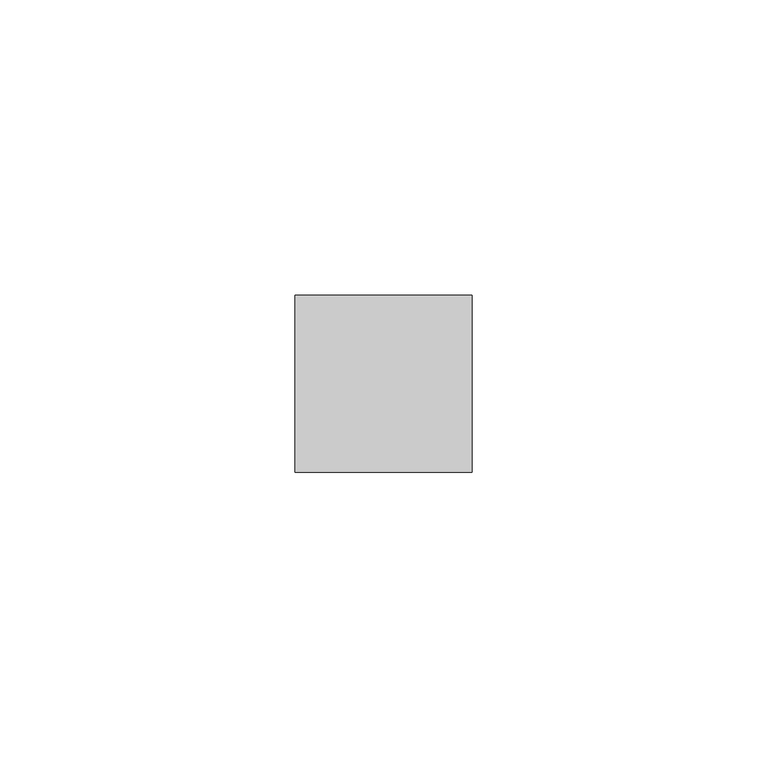
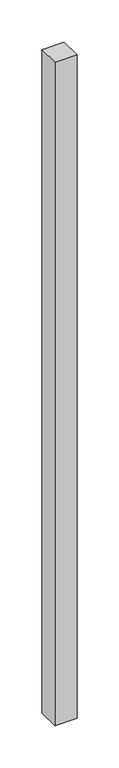
"""IFC4 building model written with IfcOpenShell, lengths in millimetres: member geometry."""

from ifc_helpers import new_model, si_unit, frame, origin, place, context, project, spatial, polyline, outline, extrude, source, transform, mapped, element, save


def member_e83847cc(model_context):
    return source(origin(), model_context, "Body", "SweptSolid", [
        extrude(outline(polyline([(15.0, 15.0), (15.0, -15.0), (-15.0, -15.0), (-15.0, 15.0), (15.0, 15.0)])), frame((0.0, 0.0, -955.8333333), z_axis=(0.0, 0.0, 1.0), x_axis=(1.0, 0.0, 0.0)), (0.0, 0.0, 1.0), 955.8333333),
    ])


if __name__ == "__main__":
    model = new_model("IFC4")
    model_context = context("Model", 3, world=origin())
    ifc_project = project(units=[si_unit("LENGTHUNIT", "METRE", prefix="MILLI")], contexts=[model_context])
    site = spatial("IfcSite", under=ifc_project)
    building = spatial("IfcBuilding", under=site)
    placement = place(None, origin())
    member_shape = member_e83847cc(model_context)
    element("IfcMember", 1, at=placement, inside=building, context=model_context, shape_type="MappedRepresentation", body=[
        mapped(member_shape, transform((0.0, 0.0, 0.0), x_axis=(1.0, 0.0, 0.0), y_axis=(0.0, 1.0, 0.0), z_axis=(0.0, 0.0, 1.0))),
    ])
    save(model, "model.ifc")
